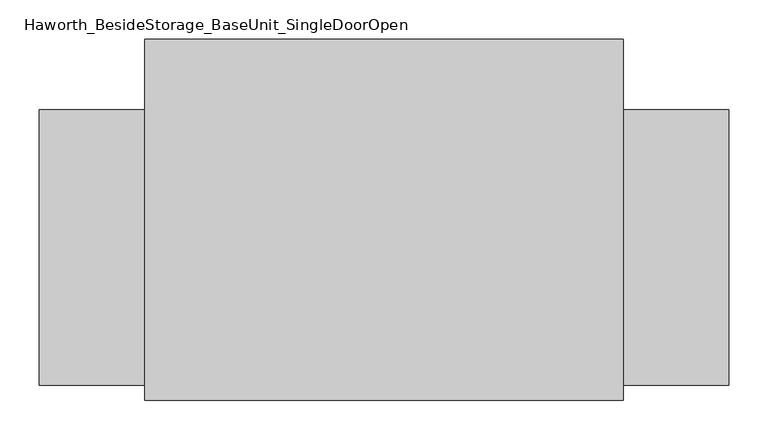
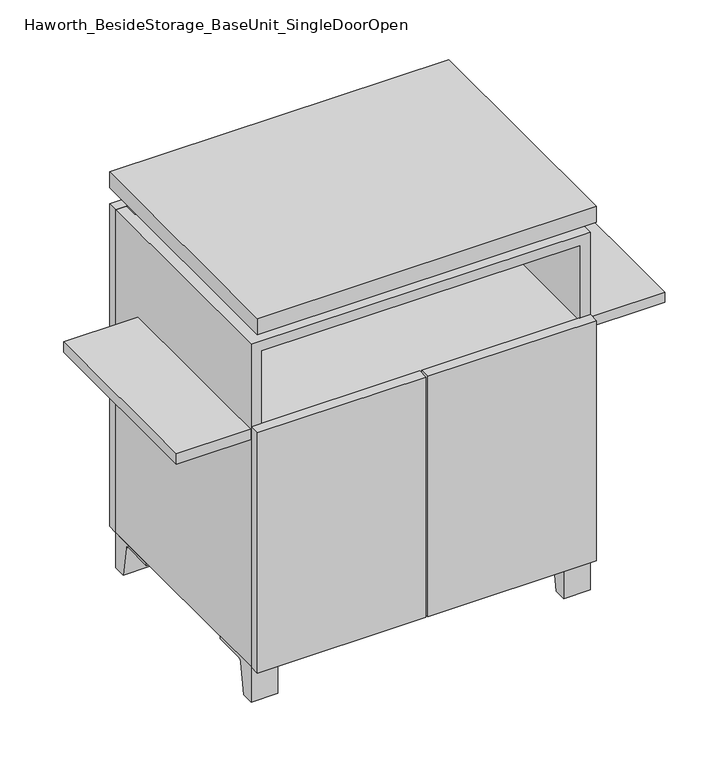
"""IFC4 building model written with IfcOpenShell, lengths in millimetres: furniture geometry, Haworth_BesideStorage_BaseUnit_SingleDoorOpen."""

from ifc_helpers import new_model, si_unit, point, frame, frame_2d, origin, place, context, project, spatial, polyline, circle_curve, trimmed, segment, composite_curve, outline, extrude, faceted_brep, source, transform, mapped, element, save


def haworth_besidestorage_baseunit_singledooropen_b37fc09b(model_context):
    return source(origin(), model_context, "Body", "SolidModel", [
        extrude(outline(composite_curve([segment(polyline([(-123.2958469, 0.0), (-146.05, 0.0), (-146.05, 66.675), (-50.8, 66.675), (-50.8, 61.8963321), (-107.6005345, 61.8963321)]), True, "CONTINUOUS"), segment(trimmed(circle_curve(frame_2d((-107.6005345, 55.5463321)), 6.35), [point((-107.6005345, 61.8963321))], [point((-113.8641359, 56.5902656))], True, "CARTESIAN"), True, "CONTINUOUS"), segment(polyline([(-113.8641359, 56.5902656), (-123.2958469, 0.0)]), True, "CONTINUOUS")], self_intersect=False)), frame((255.6013906, 0.0, 0.0), z_axis=(1.0, 0.0, 0.0), x_axis=(0.0, 1.0, 0.0)), (0.0, 0.0, 1.0), 47.625),
        extrude(outline(composite_curve([segment(polyline([(250.2958469, 0.0), (240.8641359, 56.5902656)]), True, "CONTINUOUS"), segment(trimmed(circle_curve(frame_2d((234.6005345, 55.5463321)), 6.35), [point((240.8641359, 56.5902656))], [point((234.6005345, 61.8963321))], True, "CARTESIAN"), True, "CONTINUOUS"), segment(polyline([(234.6005345, 61.8963321), (177.8, 61.8963321), (177.8, 66.675), (273.05, 66.675), (273.05, 0.0), (250.2958469, 0.0)]), True, "CONTINUOUS")], self_intersect=False)), frame((255.6013906, 0.0, 0.0), z_axis=(1.0, 0.0, 0.0), x_axis=(0.0, 1.0, 0.0)), (0.0, 0.0, 1.0), 47.625),
        extrude(outline(composite_curve([segment(polyline([(-123.2958469, 0.0), (-146.05, 0.0), (-146.05, 66.675), (-50.8, 66.675), (-50.8, 61.8963321), (-107.6005345, 61.8963321)]), True, "CONTINUOUS"), segment(trimmed(circle_curve(frame_2d((-107.6005345, 55.5463321)), 6.35), [point((-107.6005345, 61.8963321))], [point((-113.8641359, 56.5902656))], True, "CARTESIAN"), True, "CONTINUOUS"), segment(polyline([(-113.8641359, 56.5902656), (-123.2958469, 0.0)]), True, "CONTINUOUS")], self_intersect=False)), frame((-303.1986094, 0.0, 0.0), z_axis=(1.0, 0.0, 0.0), x_axis=(0.0, 1.0, 0.0)), (0.0, 0.0, 1.0), 47.625),
        extrude(outline(composite_curve([segment(polyline([(250.2958469, 0.0), (240.8641359, 56.5902656)]), True, "CONTINUOUS"), segment(trimmed(circle_curve(frame_2d((234.6005345, 55.5463321)), 6.35), [point((240.8641359, 56.5902656))], [point((234.6005345, 61.8963321))], True, "CARTESIAN"), True, "CONTINUOUS"), segment(polyline([(234.6005345, 61.8963321), (177.8, 61.8963321), (177.8, 66.675), (273.05, 66.675), (273.05, 0.0), (250.2958469, 0.0)]), True, "CONTINUOUS")], self_intersect=False)), frame((-303.1986094, 0.0, 0.0), z_axis=(1.0, 0.0, 0.0), x_axis=(0.0, 1.0, 0.0)), (0.0, 0.0, 1.0), 47.625),
        faceted_brep([(-303.1986094, -146.05, 66.675), (303.2125, -146.05, 66.675), (303.2125, -146.05, 676.275), (-303.1986094, -146.05, 676.275), (-284.1486094, -146.05, 85.725), (-284.1486094, -146.05, 657.225), (284.1694453, -146.05, 657.225), (284.1486094, -146.05, 85.725), (-303.1986094, 273.05, 66.675), (-303.1986094, 273.05, 676.275), (-284.1486094, 273.05, 676.275), (-284.1486094, 273.05, 85.725), (284.1486094, 273.05, 85.725), (284.1486094, 273.05, 676.275), (303.2125, 273.05, 676.275), (303.2125, 273.05, 66.675), (284.1486094, 247.65, 676.275), (-284.1416641, 247.65, 676.275), (-284.1486094, 247.65, 657.225), (284.1486094, 247.65, 657.225)], [[[0, 1, 2, 3], [4, 5, 6, 7]], [[8, 9, 10, 11, 12, 13, 14, 15]], [[1, 0, 8, 15]], [[2, 1, 15, 14]], [[3, 2, 14, 13, 16, 17, 10, 9]], [[0, 3, 9, 8]], [[11, 10, 17, 18, 5, 4]], [[13, 12, 7, 6, 19, 16]], [[4, 7, 12, 11]], [[6, 5, 18, 19]], [[17, 16, 19, 18]]]),
        extrude(outline(polyline([(303.2263906, -165.1), (-303.1986094, -165.1), (-303.1986094, 292.1), (303.2263906, 292.1), (303.2263906, -165.1)])), frame((0.0, 0.0, 706.4375), z_axis=(0.0, 0.0, 1.0), x_axis=(1.0, 0.0, 0.0)), (0.0, 0.0, 1.0), 30.1625),
        faceted_brep([(7.9513906, -69.85, 706.4375), (7.9513906, -69.85, 676.275), (7.9513906, 53.975, 676.275), (7.9513906, 53.975, 706.4375), (7.9513906, 196.85, 676.275), (7.9513906, 196.85, 706.4375), (7.9513906, 73.025, 706.4375), (7.9513906, 73.025, 676.275), (-7.9236094, 196.85, 706.4375), (-7.9236094, 196.85, 676.275), (-7.9236094, 73.025, 676.275), (-7.9236094, 73.025, 706.4375), (-7.9236094, -69.85, 676.275), (-7.9236094, -69.85, 706.4375), (-7.9236094, 53.975, 706.4375), (-7.9236094, 53.975, 676.275), (-261.8958281, 73.025, 706.4375), (-261.9166641, 247.65, 706.4375), (-277.7916641, 247.65, 706.4375), (-277.7916641, -120.65, 706.4375), (-261.9166641, -120.65, 706.4375), (-261.9166641, 53.975, 706.4375), (261.9236094, 53.975, 706.4375), (261.9236094, -120.65, 706.4375), (277.7986094, -120.65, 706.4375), (277.7986094, 247.65, 706.4375), (261.9236094, 247.65, 706.4375), (261.9236094, 73.025, 706.4375), (-261.8958281, 53.975, 676.275), (-261.9166641, -120.65, 676.275), (-277.7916641, -120.65, 676.275), (-277.7916641, 247.65, 676.275), (-261.9166641, 247.65, 676.275), (-261.9166641, 73.025, 676.275), (261.9236094, 73.025, 676.275), (261.9236094, 247.65, 676.275), (277.7986094, 247.65, 676.275), (277.7986094, -120.65, 676.275), (261.9236094, -120.65, 676.275), (261.9236094, 53.975, 676.275)], [[[0, 1, 2, 3]], [[4, 5, 6, 7]], [[8, 9, 10, 11]], [[12, 13, 14, 15]], [[5, 8, 11, 16, 17, 18, 19, 20, 21, 14, 13, 0, 3, 22, 23, 24, 25, 26, 27, 6]], [[1, 12, 15, 28, 29, 30, 31, 32, 33, 10, 9, 4, 7, 34, 35, 36, 37, 38, 39, 2]], [[5, 4, 9, 8]], [[1, 0, 13, 12]], [[6, 27, 34, 7]], [[22, 3, 2, 39]], [[20, 29, 28, 21]], [[32, 17, 16, 33]], [[18, 31, 30, 19]], [[29, 20, 19, 30]], [[17, 32, 31, 18]], [[26, 35, 34, 27]], [[38, 23, 22, 39]], [[25, 24, 37, 36]], [[23, 38, 37, 24]], [[35, 26, 25, 36]], [[16, 11, 10, 33]], [[14, 21, 28, 15]]]),
        extrude(outline(polyline([(303.2263906, 273.05), (-303.1986094, 273.05), (-303.1986094, 292.1), (303.2263906, 292.1), (303.2263906, 273.05)])), frame((0.0, 0.0, 66.675), z_axis=(0.0, 0.0, 1.0), x_axis=(1.0, 0.0, 0.0)), (0.0, 0.0, 1.0), 609.6),
        extrude(outline(polyline([(-284.1416641, 203.2), (-284.1416641, 209.55), (284.1694453, 209.55), (284.1694453, 203.2), (-284.1416641, 203.2)])), frame((0.0, 0.0, 85.725), z_axis=(0.0, 0.0, 1.0), x_axis=(1.0, 0.0, 0.0)), (0.0, 0.0, 1.0), 571.5),
        extrude(outline(polyline([(1.6013906, -165.1), (1.6013906, -146.05), (303.2263906, -146.05), (303.2263906, -165.1), (1.6013906, -165.1)])), frame((0.0, 0.0, 66.675), z_axis=(0.0, 0.0, 1.0), x_axis=(1.0, 0.0, 0.0)), (0.0, 0.0, 1.0), 454.025),
        extrude(outline(polyline([(-1.5736094, -165.1), (-303.1986094, -165.1), (-303.1986094, -146.05), (-1.5736094, -146.05), (-1.5736094, -165.1)])), frame((0.0, 0.0, 66.675), z_axis=(0.0, 0.0, 1.0), x_axis=(1.0, 0.0, 0.0)), (0.0, 0.0, 1.0), 454.025),
        extrude(outline(polyline([(436.5486094, 203.2), (436.5486094, -146.05), (-436.5486094, -146.05), (-436.5486094, 203.2), (436.5486094, 203.2)])), frame((0.0, 0.0, 496.8875), z_axis=(0.0, 0.0, 1.0), x_axis=(1.0, 0.0, 0.0)), (0.0, 0.0, 1.0), 19.05),
    ])


if __name__ == "__main__":
    model = new_model("IFC4")
    model_context = context("Model", 3, world=origin())
    ifc_project = project(units=[si_unit("LENGTHUNIT", "METRE", prefix="MILLI")], contexts=[model_context])
    site = spatial("IfcSite", under=ifc_project)
    building = spatial("IfcBuilding", under=site)
    placement = place(None, origin())
    haworth_besidestorage_baseunit_singledooropen_shape = haworth_besidestorage_baseunit_singledooropen_b37fc09b(model_context)
    element("IfcFurniture", 1, ObjectType="Haworth_BesideStorage_BaseUnit_SingleDoorOpen", at=placement, inside=building, context=model_context, shape_type="MappedRepresentation", body=[
        mapped(haworth_besidestorage_baseunit_singledooropen_shape, transform((0.0, 0.0, 0.0), x_axis=(1.0, 0.0, 0.0), y_axis=(0.0, 1.0, 0.0), z_axis=(0.0, 0.0, 1.0))),
    ])
    save(model, "model.ifc")
